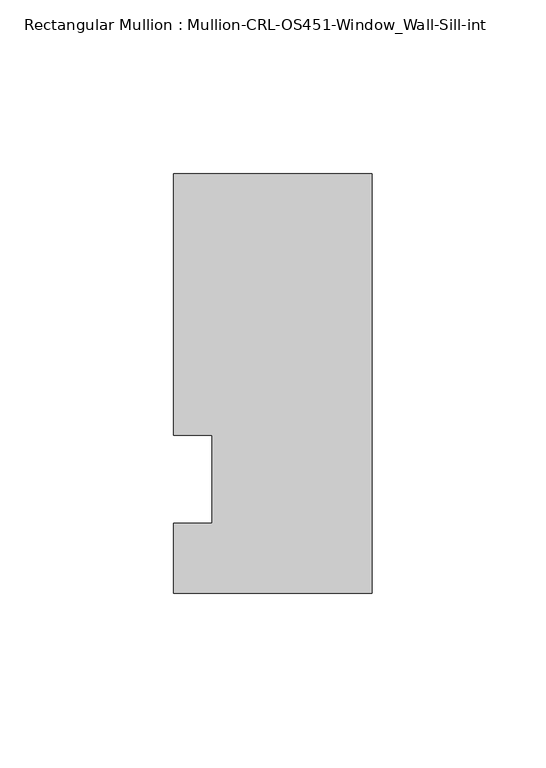
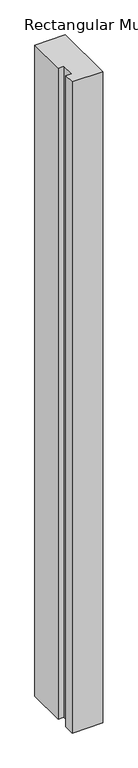
"""IFC4 building model written with IfcOpenShell, lengths in millimetres: member geometry, Rectangular Mullion : Mullion-CRL-OS451-Window_Wall-Sill-int."""

import ifcopenshell
import ifcopenshell.guid

model = None  # the IFC model being written
_history = None  # IfcOwnerHistory: only IFC2X3 demands one
_inside = {}  # id of a spatial element -> (the spatial element, [elements in it])
_under = {}  # id of a project, library or spatial element -> (it, [spatial elements below it])
_declared = {}  # id of a project -> (the project, [libraries it declares])
_typed = {}  # id of a type object -> (the type object, [elements of that type])
_made_of = {}  # id of a material, layer set ... -> (it, [elements and type objects made of it])


def new_model(schema):
    """Start an empty IFC model of exactly this schema.

    Asked for "IFC4X3", IfcOpenShell would pick the latest addendum, in which some entities
    have other attributes; the version numbers below select the first issue.
    IFC2X3 requires an IfcOwnerHistory on every rooted entity: one is made here for all.
    """
    global model, _history
    if schema == "IFC4X3":
        model = ifcopenshell.file(schema_version=(4, 3, 0, 0))
    else:
        model = ifcopenshell.file(schema=schema)
    _inside.clear()
    _under.clear()
    _declared.clear()
    _typed.clear()
    _made_of.clear()
    _history = None
    if model.schema == "IFC2X3":
        org = make("IfcOrganization", Name="unknown")
        user = make(
            "IfcPersonAndOrganization",
            ThePerson=make("IfcPerson", FamilyName="unknown"),
            TheOrganization=org,
        )
        app = make(
            "IfcApplication",
            ApplicationDeveloper=org,
            Version="unknown",
            ApplicationFullName="unknown",
            ApplicationIdentifier="unknown",
        )
        _history = make(
            "IfcOwnerHistory",
            OwningUser=user,
            OwningApplication=app,
            ChangeAction="ADDED",
            CreationDate=0,
        )
    return model


def make(cls, **values):
    """One entity of the class cls with the attributes given. An attribute that is None is left unset."""
    return model.create_entity(
        cls, **{name: value for name, value in values.items() if value is not None}
    )


def rooted(cls, **values):
    """An entity with a GlobalId (a new one), such as an element, a storey or a relation."""
    return make(cls, GlobalId=ifcopenshell.guid.new(), OwnerHistory=_history, **values)


def si_unit(unit_type, name, prefix=None):
    """IfcSIUnit, for example si_unit("LENGTHUNIT", "METRE", prefix="MILLI")."""
    return make("IfcSIUnit", UnitType=unit_type, Prefix=prefix, Name=name)


def assignment(units):
    """IfcUnitAssignment: the units of a project."""
    return None if units is None else make("IfcUnitAssignment", Units=units)


def point(xyz):
    """IfcCartesianPoint."""
    return None if xyz is None else make("IfcCartesianPoint", Coordinates=xyz)


def direction(xyz):
    """IfcDirection."""
    return None if xyz is None else make("IfcDirection", DirectionRatios=xyz)


def frame(location, z_axis=None, x_axis=None):
    """IfcAxis2Placement3D, a coordinate frame: its origin and axes. An axis left out is left unset."""
    return make(
        "IfcAxis2Placement3D",
        Location=point(location),
        Axis=direction(z_axis),
        RefDirection=direction(x_axis),
    )


def origin():
    """The frame at (0, 0, 0) with its axes left unset."""
    return frame((0.0, 0.0, 0.0))


def place(relative_to, where):
    """IfcLocalPlacement: puts the frame where relative to a parent placement (None: the world)."""
    return make(
        "IfcLocalPlacement", PlacementRelTo=relative_to, RelativePlacement=where
    )


def context(
    kind, dimensions, precision=None, world=None, true_north=None, identifier=None
):
    """IfcGeometricRepresentationContext, for example the 3D "Model" context."""
    return make(
        "IfcGeometricRepresentationContext",
        ContextIdentifier=identifier,
        ContextType=kind,
        CoordinateSpaceDimension=dimensions,
        Precision=precision,
        WorldCoordinateSystem=world,
        TrueNorth=true_north,
    )


def project(units=None, contexts=None):
    """IfcProject with its units and contexts."""
    return rooted(
        "IfcProject",
        Name="project",
        RepresentationContexts=contexts,
        UnitsInContext=assignment(units),
    )


def spatial(cls, under=None, at=None, **own):
    """A site, building, storey or space (cls), placed at a placement, below another one or the project."""
    s = rooted(cls, ObjectPlacement=at, **own)
    if under is not None:
        _under.setdefault(under.id(), (under, []))[1].append(s)
    return s


def polyline(points):
    """IfcPolyline through the points."""
    return make("IfcPolyline", Points=[point(p) for p in points])


def outline(outer, holes=None, kind="AREA"):
    """IfcArbitraryClosedProfileDef: a profile drawn as a closed curve; with holes, ...WithVoids."""
    if holes is None:
        return make("IfcArbitraryClosedProfileDef", ProfileType=kind, OuterCurve=outer)
    return make(
        "IfcArbitraryProfileDefWithVoids",
        ProfileType=kind,
        OuterCurve=outer,
        InnerCurves=holes,
    )


def extrude(swept, where, along, depth):
    """IfcExtrudedAreaSolid: the profile swept, set in the frame where, extruded along a direction by depth."""
    return make(
        "IfcExtrudedAreaSolid",
        SweptArea=swept,
        Position=where,
        ExtrudedDirection=direction(along),
        Depth=depth,
    )


def shape(context_of_items, identifier, shape_type, items):
    """IfcShapeRepresentation: the items that make up one representation, for example the "Body"."""
    return make(
        "IfcShapeRepresentation",
        ContextOfItems=context_of_items,
        RepresentationIdentifier=identifier,
        RepresentationType=shape_type,
        Items=items,
    )


def source(mapping_origin, context_of_items, identifier, shape_type, items):
    """IfcRepresentationMap: a shape defined once, which mapped items show again and again."""
    return make(
        "IfcRepresentationMap",
        MappingOrigin=mapping_origin,
        MappedRepresentation=shape(context_of_items, identifier, shape_type, items),
    )


def transform(
    local_origin,
    x_axis=None,
    y_axis=None,
    z_axis=None,
    scale=None,
    scale2=None,
    scale3=None,
    uniform=True,
):
    """IfcCartesianTransformationOperator3D, or its non-uniform kind. x_axis, y_axis, z_axis: its Axis1, 2, 3."""
    if uniform:
        return make(
            "IfcCartesianTransformationOperator3D",
            Axis1=direction(x_axis),
            Axis2=direction(y_axis),
            LocalOrigin=point(local_origin),
            Scale=scale,
            Axis3=direction(z_axis),
        )
    return make(
        "IfcCartesianTransformationOperator3DnonUniform",
        Axis1=direction(x_axis),
        Axis2=direction(y_axis),
        LocalOrigin=point(local_origin),
        Scale=scale,
        Axis3=direction(z_axis),
        Scale2=scale2,
        Scale3=scale3,
    )


def mapped(mapping_source, mapping_target):
    """IfcMappedItem: shows the shape of a source again, moved by a transform."""
    return make(
        "IfcMappedItem", MappingSource=mapping_source, MappingTarget=mapping_target
    )


def made_of(thing, what):
    """Note that an element or type object is made of a material, layer set ...; save() writes the relation."""
    if what is not None:
        _made_of.setdefault(what.id(), (what, []))[1].append(thing)
    return thing


def element(
    cls,
    number,
    at=None,
    inside=None,
    cuts=None,
    type_object=None,
    material=None,
    context=None,
    identifier="Body",
    shape_type=None,
    held_by="IfcProductDefinitionShape",
    body=None,
    shapes=None,
    **own,
):
    """One element of the class cls, such as IfcWall. Its Tag is "e" and its number.

    at: its placement. inside: the storey or other place that contains it. cuts: it is an
    opening in that element (IfcRelVoidsElement). A single representation is given by context,
    identifier, shape_type and body (its items); several are given by shapes. held_by: the class
    of the entity that holds the representations. save() writes the other relations.
    """
    e = rooted(cls, Tag="e%d" % number, ObjectPlacement=at, **own)
    if body is not None:
        shapes = [shape(context, identifier, shape_type, body)]
    if shapes is not None:
        e.Representation = make(held_by, Representations=shapes)
    if inside is not None:
        _inside.setdefault(inside.id(), (inside, []))[1].append(e)
    if cuts is not None:
        rooted(
            "IfcRelVoidsElement", RelatingBuildingElement=cuts, RelatedOpeningElement=e
        )
    if type_object is not None:
        _typed.setdefault(type_object.id(), (type_object, []))[1].append(e)
    return made_of(e, material)


def aggregate(whole, parts):
    """IfcRelAggregates: a whole, such as a stair, and the parts it consists of."""
    return rooted("IfcRelAggregates", RelatingObject=whole, RelatedObjects=parts)


def save(model, path):
    """Write the relations noted so far, then the file.

    IfcRelAggregates (storeys below a building ...), IfcRelContainedInSpatialStructure (elements
    in a storey), IfcRelDefinesByType, IfcRelAssociatesMaterial and IfcRelDeclares: one each for
    every whole, place, type object, material and project.
    """
    for whole, parts in _under.values():
        aggregate(whole, parts)
    for where, things in _inside.values():
        rooted(
            "IfcRelContainedInSpatialStructure",
            RelatedElements=things,
            RelatingStructure=where,
        )
    for kind, things in _typed.values():
        rooted("IfcRelDefinesByType", RelatedObjects=things, RelatingType=kind)
    for what, things in _made_of.values():
        rooted("IfcRelAssociatesMaterial", RelatedObjects=things, RelatingMaterial=what)
    for by, libraries in _declared.values():
        rooted("IfcRelDeclares", RelatingContext=by, RelatedDefinitions=libraries)
    model.write(path)


def rectangular_mullion_mullion_crl_os451_window_wall_sill_int_98d27ba2(model_context):
    return source(origin(), model_context, "Body", "SweptSolid", [
        extrude(outline(polyline([(0.0, 87.8956155), (0.0, -32.9067845), (-57.1524558, -32.9067845), (-57.1524558, -12.7), (-46.0527457, -12.7), (-46.0527457, 12.7), (-57.1524558, 12.7), (-57.1524558, 87.8956155), (0.0, 87.8956155)])), frame((0.0, 0.0, -1290.1083332), z_axis=(0.0, 0.0, 1.0), x_axis=(1.0, 0.0, 0.0)), (0.0, 0.0, 1.0), 1290.1083332),
    ])


if __name__ == "__main__":
    model = new_model("IFC4")
    model_context = context("Model", 3, world=origin())
    ifc_project = project(units=[si_unit("LENGTHUNIT", "METRE", prefix="MILLI")], contexts=[model_context])
    site = spatial("IfcSite", under=ifc_project)
    building = spatial("IfcBuilding", under=site)
    placement = place(None, origin())
    rectangular_mullion_mullion_crl_os451_window_wall_sill_int_shape = rectangular_mullion_mullion_crl_os451_window_wall_sill_int_98d27ba2(model_context)
    element("IfcMember", 1, ObjectType="Rectangular Mullion : Mullion-CRL-OS451-Window_Wall-Sill-int", at=placement, inside=building, context=model_context, shape_type="MappedRepresentation", body=[
        mapped(rectangular_mullion_mullion_crl_os451_window_wall_sill_int_shape, transform((0.0, 0.0, 0.0), x_axis=(1.0, 0.0, 0.0), y_axis=(0.0, 1.0, 0.0), z_axis=(0.0, 0.0, 1.0))),
    ])
    save(model, "model.ifc")
